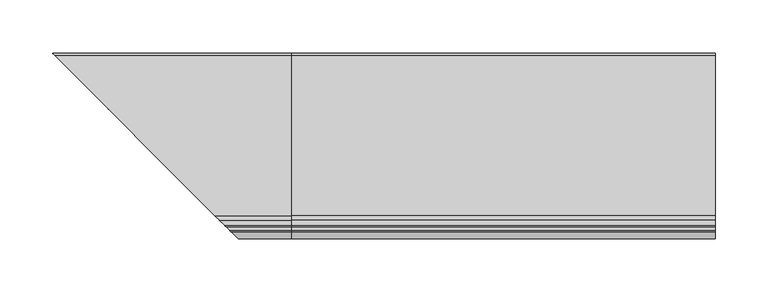
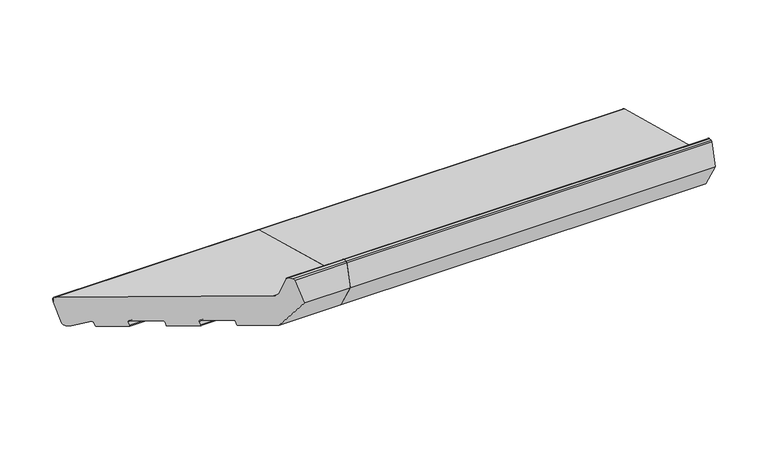
"""IFC4 building model written with IfcOpenShell, lengths in millimetres: proxy geometry."""

from ifc_helpers import new_model, si_unit, point, frame, frame_2d, origin, place, context, project, spatial, polyline, circle_curve, ellipse_curve, trimmed, segment, composite_curve, outline, extrude, source, transform, mapped, element, save
from ifc_brep_helpers import plane_surface, cylinder_surface, revolved_surface, advanced_brep


def generic_models_bad5ee0b(model_context):
    return source(origin(), model_context, "Body", "SolidModel", [
        advanced_brep(
        [(-224.6670576, 34.6670576, 35.293328), (-224.6670576, 35.160744, 32.7223387), (-224.6670576, 34.6670576, 30.8798763), (0.0, 24.7572142, 5.4869469), (0.0, 28.4314488, 7.6082672), (0.0, 35.160744, 32.7223387), (0.0, 33.0394236, 36.3965733), (0.0, -118.1626434, 76.9110451), (0.0, -122.4052841, 81.1536858), (0.0, -127.1879801, 99.0029505), (0.0, -128.6368689, 100.114722), (0.0, -131.9802434, 100.114722), (0.0, -133.4291321, 99.0029505), (0.0, -140.0, 74.4801377), (0.0, -122.3223305, 43.8615159), (0.0, -94.3104815, 36.3557636), (0.0, -93.0857366, 37.0628704), (0.0, -92.0504605, 40.9265737), (0.0, -90.8257156, 41.6336805), (0.0, -67.6434958, 35.4220234), (0.0, -66.936389, 34.1972785), (0.0, -67.9716652, 30.3335752), (0.0, -67.2645584, 29.1088303), (0.0, -45.0482644, 23.1559923), (0.0, -43.8235195, 23.8630991), (0.0, -42.7882433, 27.7268024), (0.0, -41.5634984, 28.4339092), (0.0, -18.3812786, 22.2222521), (0.0, -17.6741718, 20.9975072), (0.0, -18.709448, 17.1338039), (0.0, -18.0023412, 15.909059), (0.0, 4.2139528, 9.956221), (0.0, 5.4386976, 10.6633278), (0.0, 6.3879511, 14.2059898), (0.0, 7.8722069, 14.8023515), (0.0, 22.0404366, 6.2149052), (-214.7572142, 24.7572142, 5.4869469), (-218.4314488, 28.4314488, 7.6082672), (-223.0394236, 33.0394236, 36.3965733), (-71.8373566, -118.1626434, 76.9110451), (-67.5947159, -122.4052841, 81.1536858), (-62.8120199, -127.1879801, 99.0029505), (-61.3631311, -128.6368689, 100.114722), (-58.0197566, -131.9802434, 100.114722), (-56.5708679, -133.4291321, 99.0029505), (-50.0, -140.0, 74.4801377), (-67.6776695, -122.3223305, 43.8615159), (-95.6895185, -94.3104815, 36.3557636), (-96.9142634, -93.0857366, 37.0628704), (-97.9495395, -92.0504605, 40.9265737), (-99.1742844, -90.8257156, 41.6336805), (-122.3565042, -67.6434958, 35.4220234), (-123.063611, -66.936389, 34.1972785), (-122.0283348, -67.9716652, 30.3335752), (-122.7354416, -67.2645584, 29.1088303), (-144.9517356, -45.0482644, 23.1559923), (-146.1764805, -43.8235195, 23.8630991), (-147.2117567, -42.7882433, 27.7268024), (-148.4365016, -41.5634984, 28.4339092), (-212.0404366, 22.0404366, 6.2149052), (-171.6187214, -18.3812786, 22.2222521), (-171.290552, -18.709448, 17.1338039), (-171.9976588, -18.0023412, 15.909059), (-172.3258282, -17.6741718, 20.9975072), (-194.2139528, 4.2139528, 9.956221), (-195.4386976, 5.4386976, 10.6633278), (-196.3879511, 6.3879511, 14.2059898), (-197.8722069, 7.8722069, 14.8023515)],
        [
            (0, 1, circle_curve(frame((-224.6670576, 32.2629665, 33.4987958), z_axis=(-1.0, 0.0, 0.0), x_axis=(0.0, 1.0, 0.0)), 3.0)),
            (1, 2),
            (2, 0),
            (3, 4, circle_curve(frame((0.0, 25.5336713, 8.3847244), z_axis=(1.0, 0.0, 0.0), x_axis=(0.0, 1.0, 0.0)), 3.0)),
            (4, 5),
            (5, 6, circle_curve(frame((0.0, 32.2629665, 33.4987958), z_axis=(1.0, 0.0, 0.0), x_axis=(0.0, 1.0, 0.0)), 3.0)),
            (6, 7),
            (7, 8, circle_curve(frame((0.0, -116.6097291, 82.7066), z_axis=(-1.0, 0.0, 0.0), x_axis=(0.0, 1.0, 0.0)), 6.0)),
            (8, 9),
            (9, 10, circle_curve(frame((0.0, -128.6368689, 98.614722), z_axis=(1.0, 0.0, 0.0), x_axis=(0.0, 1.0, 0.0)), 1.5)),
            (10, 11),
            (11, 12, circle_curve(frame((0.0, -131.9802434, 98.614722), z_axis=(1.0, 0.0, 0.0), x_axis=(0.0, 1.0, 0.0)), 1.5)),
            (12, 13),
            (13, 14),
            (14, 15),
            (15, 16, circle_curve(frame((0.0, -94.0516625, 37.3216894), z_axis=(1.0, 0.0, 0.0), x_axis=(0.0, 1.0, 0.0)), 1.0)),
            (16, 17),
            (17, 18, circle_curve(frame((0.0, -91.0845346, 40.6677546), z_axis=(-1.0, 0.0, 0.0), x_axis=(0.0, 1.0, 0.0)), 1.0)),
            (18, 19),
            (19, 20, circle_curve(frame((0.0, -67.9023148, 34.4560976), z_axis=(-1.0, 0.0, 0.0), x_axis=(0.0, 1.0, 0.0)), 1.0)),
            (20, 21),
            (21, 22, circle_curve(frame((0.0, -67.0057393, 30.0747562), z_axis=(1.0, 0.0, 0.0), x_axis=(0.0, 1.0, 0.0)), 1.0)),
            (22, 23),
            (23, 24, circle_curve(frame((0.0, -44.7894453, 24.1219181), z_axis=(1.0, 0.0, 0.0), x_axis=(0.0, 1.0, 0.0)), 1.0)),
            (24, 25),
            (25, 26, circle_curve(frame((0.0, -41.8223175, 27.4679833), z_axis=(-1.0, 0.0, 0.0), x_axis=(0.0, 1.0, 0.0)), 1.0)),
            (26, 27),
            (27, 28, circle_curve(frame((0.0, -18.6400977, 21.2563263), z_axis=(-1.0, 0.0, 0.0), x_axis=(0.0, 1.0, 0.0)), 1.0)),
            (28, 29),
            (29, 30, circle_curve(frame((0.0, -17.7435222, 16.8749849), z_axis=(1.0, 0.0, 0.0), x_axis=(0.0, 1.0, 0.0)), 1.0)),
            (30, 31),
            (31, 32, circle_curve(frame((0.0, 4.4727718, 10.9221468), z_axis=(1.0, 0.0, 0.0), x_axis=(0.0, 1.0, 0.0)), 1.0)),
            (32, 33),
            (33, 34, circle_curve(frame((0.0, 7.3538769, 13.9471708), z_axis=(-1.0, 0.0, 0.0), x_axis=(0.0, 1.0, 0.0)), 1.0)),
            (34, 35),
            (35, 3),
            (3, 36),
            (36, 37, ellipse_curve(frame((-215.5336713, 25.5336713, 8.3847244), z_axis=(0.707106781186548, 0.7071067811865471, 0.0), x_axis=(-0.707106781186547, 0.707106781186548, 0.0)), 4.2426407, 3.0)),
            (37, 4),
            (37, 2),
            (1, 5),
            (0, 38, ellipse_curve(frame((-222.2629665, 32.2629665, 33.4987958), z_axis=(0.707106781186548, 0.7071067811865471, 0.0), x_axis=(-0.707106781186547, 0.707106781186548, 0.0)), 4.2426407, 3.0)),
            (38, 6),
            (38, 39),
            (39, 7),
            (39, 40, ellipse_curve(frame((-73.3902709, -116.6097291, 82.7066), z_axis=(-0.707106781186548, -0.7071067811865471, 0.0), x_axis=(0.707106781186547, -0.707106781186548, 0.0)), 8.4852814, 6.0)),
            (40, 8),
            (40, 41),
            (41, 9),
            (41, 42, ellipse_curve(frame((-61.3631311, -128.6368689, 98.614722), z_axis=(0.707106781186548, 0.7071067811865471, 0.0), x_axis=(-0.707106781186547, 0.707106781186548, 0.0)), 2.1213203, 1.5)),
            (42, 10),
            (42, 43),
            (43, 11),
            (43, 44, ellipse_curve(frame((-58.0197566, -131.9802434, 98.614722), z_axis=(0.707106781186548, 0.7071067811865471, 0.0), x_axis=(-0.707106781186547, 0.707106781186548, 0.0)), 2.1213203, 1.5)),
            (44, 12),
            (44, 45),
            (45, 13),
            (45, 46),
            (46, 14),
            (46, 47),
            (47, 15),
            (47, 48, ellipse_curve(frame((-95.9483375, -94.0516625, 37.3216894), z_axis=(0.707106781186548, 0.7071067811865471, 0.0), x_axis=(-0.707106781186547, 0.707106781186548, 0.0)), 1.4142136, 1.0)),
            (48, 16),
            (48, 49),
            (49, 17),
            (49, 50, ellipse_curve(frame((-98.9154654, -91.0845346, 40.6677546), z_axis=(-0.707106781186548, -0.7071067811865471, 0.0), x_axis=(0.707106781186547, -0.707106781186548, 0.0)), 1.4142136, 1.0)),
            (50, 18),
            (50, 51),
            (51, 19),
            (51, 52, ellipse_curve(frame((-122.0976852, -67.9023148, 34.4560976), z_axis=(-0.707106781186548, -0.7071067811865471, 0.0), x_axis=(0.707106781186547, -0.707106781186548, 0.0)), 1.4142136, 1.0)),
            (52, 20),
            (52, 53),
            (53, 21),
            (53, 54, ellipse_curve(frame((-122.9942607, -67.0057393, 30.0747562), z_axis=(0.707106781186548, 0.7071067811865471, 0.0), x_axis=(-0.707106781186547, 0.707106781186548, 0.0)), 1.4142136, 1.0)),
            (54, 22),
            (54, 55),
            (55, 23),
            (55, 56, ellipse_curve(frame((-145.2105547, -44.7894453, 24.1219181), z_axis=(0.707106781186548, 0.7071067811865471, 0.0), x_axis=(-0.707106781186547, 0.707106781186548, 0.0)), 1.4142136, 1.0)),
            (56, 24),
            (56, 57),
            (57, 25),
            (57, 58, ellipse_curve(frame((-148.1776825, -41.8223175, 27.4679833), z_axis=(-0.707106781186548, -0.7071067811865471, 0.0), x_axis=(0.707106781186547, -0.707106781186548, 0.0)), 1.4142136, 1.0)),
            (58, 26),
            (35, 59),
            (59, 36),
            (58, 60),
            (60, 27),
            (29, 61),
            (61, 62, ellipse_curve(frame((-172.2564778, -17.7435222, 16.8749849), z_axis=(0.707106781186548, 0.7071067811865471, 0.0), x_axis=(-0.707106781186547, 0.707106781186548, 0.0)), 1.4142136, 1.0)),
            (62, 30),
            (28, 63),
            (63, 61),
            (60, 63, ellipse_curve(frame((-171.3599023, -18.6400977, 21.2563263), z_axis=(-0.707106781186548, -0.7071067811865471, 0.0), x_axis=(0.707106781186547, -0.707106781186548, 0.0)), 1.4142136, 1.0)),
            (62, 64),
            (64, 31),
            (64, 65, ellipse_curve(frame((-194.4727718, 4.4727718, 10.9221468), z_axis=(0.707106781186548, 0.7071067811865471, 0.0), x_axis=(-0.707106781186547, 0.707106781186548, 0.0)), 1.4142136, 1.0)),
            (65, 32),
            (65, 66),
            (66, 33),
            (66, 67, ellipse_curve(frame((-197.3538769, 7.3538769, 13.9471708), z_axis=(-0.707106781186548, -0.7071067811865471, 0.0), x_axis=(0.707106781186547, -0.707106781186548, 0.0)), 1.4142136, 1.0)),
            (67, 34),
            (67, 59),
        ],
        [
            plane_surface(frame((-224.6670576, 0.0, 0.0), z_axis=(-1.0, 0.0, 0.0), x_axis=(0.0, 0.0, 1.0))),
            plane_surface(frame((0.0, 0.0, 0.0), z_axis=(1.0, 0.0, 0.0), x_axis=(0.0, 0.0, 1.0))),
            cylinder_surface(frame((-224.6670576, 25.5336713, 8.3847244), z_axis=(-1.0, 0.0, 0.0), x_axis=(0.0, 1.0, 0.0)), 3.0),
            plane_surface(frame((-224.6670576, 35.160744, 32.7223387), z_axis=(0.0, 0.9659258262890688, -0.25881904510251913), x_axis=(1.0, 0.0, 0.0))),
            cylinder_surface(frame((-224.6670576, 32.2629665, 33.4987958), z_axis=(-1.0, 0.0, 0.0), x_axis=(0.0, 1.0, 0.0)), 3.0),
            plane_surface(frame((-224.6670576, -118.1626434, 76.9110451), z_axis=(0.0, 0.2588190451025206, 0.9659258262890684), x_axis=(1.0, 0.0, 0.0))),
            revolved_surface(polyline([(0.0, -110.6097291, 82.7066), (-79.39027091821606, -110.6097291, 82.7066)]), (-224.6670576, -116.6097291, 82.7066), (1.0, 0.0, 0.0)),
            plane_surface(frame((-224.6670576, -127.1879801, 99.0029505), z_axis=(0.0, 0.9659258262890682, 0.2588190451025212), x_axis=(1.0, 0.0, 0.0))),
            cylinder_surface(frame((-224.6670576, -128.6368689, 98.614722), z_axis=(-1.0, 0.0, 0.0), x_axis=(0.0, 1.0, 0.0)), 1.5),
            plane_surface(frame((-224.6670576, -131.9802434, 100.114722), z_axis=(0.0, 0.0, 1.0), x_axis=(1.0, 0.0, 0.0))),
            cylinder_surface(frame((-224.6670576, -131.9802434, 98.614722), z_axis=(-1.0, 0.0, 0.0), x_axis=(0.0, 1.0, 0.0)), 1.5),
            plane_surface(frame((-224.6670576, -140.0, 74.4801377), z_axis=(0.0, -0.9659258262890683, 0.25881904510252074), x_axis=(1.0, 0.0, 0.0))),
            plane_surface(frame((-224.6670576, -122.3223305, 43.8615159), z_axis=(0.0, -0.8660254037844369, -0.500000000000003), x_axis=(1.0, 0.0, 0.0))),
            plane_surface(frame((-224.6670576, -94.3104815, 36.3557636), z_axis=(0.0, -0.2588190451025208, -0.9659258262890683), x_axis=(1.0, 0.0, 0.0))),
            cylinder_surface(frame((-224.6670576, -94.0516625, 37.3216894), z_axis=(-1.0, 0.0, 0.0), x_axis=(0.0, 1.0, 0.0)), 1.0),
            plane_surface(frame((-224.6670576, -92.0504605, 40.9265737), z_axis=(0.0, 0.9659258262890618, -0.25881904510254516), x_axis=(1.0, 0.0, 0.0))),
            revolved_surface(polyline([(0.0, -90.0845346, 40.6677546), (-99.91546542660625, -90.0845346, 40.6677546)]), (-224.6670576, -91.0845346, 40.6677546), (1.0, 0.0, 0.0)),
            plane_surface(frame((-224.6670576, -67.6434958, 35.4220234), z_axis=(0.0, -0.2588190451025217, -0.9659258262890681), x_axis=(1.0, 0.0, 0.0))),
            revolved_surface(polyline([(0.0, -66.9023148, 34.4560976), (-123.09768522660625, -66.9023148, 34.4560976)]), (-224.6670576, -67.9023148, 34.4560976), (1.0, 0.0, 0.0)),
            plane_surface(frame((-224.6670576, -67.9716652, 30.3335752), z_axis=(0.0, -0.9659258262890634, 0.25881904510253917), x_axis=(1.0, 0.0, 0.0))),
            cylinder_surface(frame((-224.6670576, -67.0057393, 30.0747562), z_axis=(-1.0, 0.0, 0.0), x_axis=(0.0, 1.0, 0.0)), 1.0),
            plane_surface(frame((-224.6670576, -45.0482644, 23.1559923), z_axis=(0.0, -0.2588190451025211, -0.9659258262890682), x_axis=(1.0, 0.0, 0.0))),
            cylinder_surface(frame((-224.6670576, -44.7894453, 24.1219181), z_axis=(-1.0, 0.0, 0.0), x_axis=(0.0, 1.0, 0.0)), 1.0),
            plane_surface(frame((-224.6670576, -42.7882433, 27.7268024), z_axis=(0.0, 0.9659258262890634, -0.2588190451025389), x_axis=(1.0, 0.0, 0.0))),
            revolved_surface(polyline([(0.0, -40.8223175, 27.4679833), (-149.17768252660625, -40.8223175, 27.4679833)]), (-224.6670576, -41.8223175, 27.4679833), (1.0, 0.0, 0.0)),
            plane_surface(frame((-224.6670576, 24.7572142, 5.4869469), z_axis=(0.0, -0.2588190451025144, -0.96592582628907), x_axis=(1.0, 0.0, 0.0))),
            plane_surface(frame((-224.6670576, -18.3812786, 22.2222521), z_axis=(0.0, -0.25881904510252046, -0.9659258262890684), x_axis=(1.0, 0.0, 0.0))),
            cylinder_surface(frame((-224.6670576, -17.7435222, 16.8749849), z_axis=(-1.0, 0.0, 0.0), x_axis=(0.0, 1.0, 0.0)), 1.0),
            plane_surface(frame((-224.6670576, -18.709448, 17.1338039), z_axis=(0.0, -0.9659258262890631, 0.25881904510254045), x_axis=(1.0, 0.0, 0.0))),
            revolved_surface(polyline([(0.0, -17.6400977, 21.2563263), (-172.35990232660623, -17.6400977, 21.2563263)]), (-224.6670576, -18.6400977, 21.2563263), (1.0, 0.0, 0.0)),
            plane_surface(frame((-224.6670576, 4.2139528, 9.956221), z_axis=(0.0, -0.2588190451025199, -0.9659258262890685), x_axis=(1.0, 0.0, 0.0))),
            cylinder_surface(frame((-224.6670576, 4.4727718, 10.9221468), z_axis=(-1.0, 0.0, 0.0), x_axis=(0.0, 1.0, 0.0)), 1.0),
            plane_surface(frame((-224.6670576, 6.3879511, 14.2059898), z_axis=(0.0, 0.9659258262890689, -0.2588190451025187), x_axis=(1.0, 0.0, 0.0))),
            revolved_surface(polyline([(0.0, 8.3538769, 13.9471708), (-198.35387692660623, 8.3538769, 13.9471708)]), (-224.6670576, 7.3538769, 13.9471708), (1.0, 0.0, 0.0)),
            plane_surface(frame((-224.6670576, 22.0404366, 6.2149052), z_axis=(0.0, -0.5183299834329735, -0.8551806991942542), x_axis=(1.0, 0.0, 0.0))),
            plane_surface(frame((-170.8510281, -19.1489719, 0.0), z_axis=(-0.707106781186548, -0.7071067811865471, 0.0), x_axis=(0.0, 0.0, 1.0))),
        ],
        [
            (0, [[1, 2, 3]]),
            (1, [[4, 5, 6, 7, 8, 9, 10, 11, 12, 13, 14, 15, 16, 17, 18, 19, 20, 21, 22, 23, 24, 25, 26, 27, 28, 29, 30, 31, 32, 33, 34, 35, 36]]),
            (2, [[-4, 37, 38, 39]]),
            (3, [[-5, -39, 40, -2, 41]]),
            (4, [[-6, -41, -1, 42, 43]]),
            (5, [[-7, -43, 44, 45]]),
            (6, [[-8, -45, 46, 47]]),
            (7, [[-9, -47, 48, 49]]),
            (8, [[-10, -49, 50, 51]]),
            (9, [[-11, -51, 52, 53]]),
            (10, [[-12, -53, 54, 55]]),
            (11, [[-13, -55, 56, 57]]),
            (12, [[-14, -57, 58, 59]]),
            (13, [[-15, -59, 60, 61]]),
            (14, [[-16, -61, 62, 63]]),
            (15, [[-17, -63, 64, 65]]),
            (16, [[-18, -65, 66, 67]]),
            (17, [[-19, -67, 68, 69]]),
            (18, [[-20, -69, 70, 71]]),
            (19, [[-21, -71, 72, 73]]),
            (20, [[-22, -73, 74, 75]]),
            (21, [[-23, -75, 76, 77]]),
            (22, [[-24, -77, 78, 79]]),
            (23, [[-25, -79, 80, 81]]),
            (24, [[-26, -81, 82, 83]]),
            (25, [[-36, 84, 85, -37]]),
            (26, [[-27, -83, 86, 87]]),
            (27, [[-30, 88, 89, 90]]),
            (28, [[-29, 91, 92, -88]]),
            (29, [[-28, -87, 93, -91]]),
            (30, [[-31, -90, 94, 95]]),
            (31, [[-32, -95, 96, 97]]),
            (32, [[-33, -97, 98, 99]]),
            (33, [[-34, -99, 100, 101]]),
            (34, [[-35, -101, 102, -84]]),
            (35, [[-3, -40, -38, -85, -102, -100, -98, -96, -94, -89, -92, -93, -86, -82, -80, -78, -76, -74, -72, -70, -68, -66, -64, -62, -60, -58, -56, -54, -52, -50, -48, -46, -44, -42]]),
        ],
    ),
        extrude(outline(composite_curve([segment(polyline([(24.7572142, 5.4869469), (22.0404366, 6.2149052), (7.8722069, 14.8023515)]), True, "CONTINUOUS"), segment(trimmed(circle_curve(frame_2d((7.3538769, 13.9471708)), 1.0), [point((7.8722069, 14.8023515))], [point((6.3879511, 14.2059898))], True, "CARTESIAN"), True, "CONTINUOUS"), segment(polyline([(6.3879511, 14.2059898), (5.4386976, 10.6633278)]), True, "CONTINUOUS"), segment(trimmed(circle_curve(frame_2d((4.4727718, 10.9221468)), 1.0), [point((5.4386976, 10.6633278))], [point((4.2139528, 9.956221))], False, "CARTESIAN"), True, "CONTINUOUS"), segment(polyline([(4.2139528, 9.956221), (-18.0023412, 15.909059)]), True, "CONTINUOUS"), segment(trimmed(circle_curve(frame_2d((-17.7435222, 16.8749849)), 1.0), [point((-18.0023412, 15.909059))], [point((-18.709448, 17.1338039))], False, "CARTESIAN"), True, "CONTINUOUS"), segment(polyline([(-18.709448, 17.1338039), (-17.6741718, 20.9975072)]), True, "CONTINUOUS"), segment(trimmed(circle_curve(frame_2d((-18.6400977, 21.2563263)), 1.0), [point((-17.6741718, 20.9975072))], [point((-18.3812786, 22.2222521))], True, "CARTESIAN"), True, "CONTINUOUS"), segment(polyline([(-18.3812786, 22.2222521), (-41.5634984, 28.4339092)]), True, "CONTINUOUS"), segment(trimmed(circle_curve(frame_2d((-41.8223175, 27.4679833)), 1.0), [point((-41.5634984, 28.4339092))], [point((-42.7882433, 27.7268024))], True, "CARTESIAN"), True, "CONTINUOUS"), segment(polyline([(-42.7882433, 27.7268024), (-43.8235195, 23.8630991)]), True, "CONTINUOUS"), segment(trimmed(circle_curve(frame_2d((-44.7894453, 24.1219181)), 1.0), [point((-43.8235195, 23.8630991))], [point((-45.0482644, 23.1559923))], False, "CARTESIAN"), True, "CONTINUOUS"), segment(polyline([(-45.0482644, 23.1559923), (-67.2645584, 29.1088303)]), True, "CONTINUOUS"), segment(trimmed(circle_curve(frame_2d((-67.0057393, 30.0747562)), 1.0), [point((-67.2645584, 29.1088303))], [point((-67.9716652, 30.3335752))], False, "CARTESIAN"), True, "CONTINUOUS"), segment(polyline([(-67.9716652, 30.3335752), (-66.936389, 34.1972785)]), True, "CONTINUOUS"), segment(trimmed(circle_curve(frame_2d((-67.9023148, 34.4560976)), 1.0), [point((-66.936389, 34.1972785))], [point((-67.6434958, 35.4220234))], True, "CARTESIAN"), True, "CONTINUOUS"), segment(polyline([(-67.6434958, 35.4220234), (-90.8257156, 41.6336805)]), True, "CONTINUOUS"), segment(trimmed(circle_curve(frame_2d((-91.0845346, 40.6677546)), 1.0), [point((-90.8257156, 41.6336805))], [point((-92.0504605, 40.9265737))], True, "CARTESIAN"), True, "CONTINUOUS"), segment(polyline([(-92.0504605, 40.9265737), (-93.0857366, 37.0628704)]), True, "CONTINUOUS"), segment(trimmed(circle_curve(frame_2d((-94.0516625, 37.3216894)), 1.0), [point((-93.0857366, 37.0628704))], [point((-94.3104815, 36.3557636))], False, "CARTESIAN"), True, "CONTINUOUS"), segment(polyline([(-94.3104815, 36.3557636), (-122.3223305, 43.8615159), (-140.0, 74.4801377), (-133.4291321, 99.0029505)]), True, "CONTINUOUS"), segment(trimmed(circle_curve(frame_2d((-131.9802434, 98.614722)), 1.5), [point((-133.4291321, 99.0029505))], [point((-131.9802434, 100.114722))], False, "CARTESIAN"), True, "CONTINUOUS"), segment(polyline([(-131.9802434, 100.114722), (-128.6368689, 100.114722)]), True, "CONTINUOUS"), segment(trimmed(circle_curve(frame_2d((-128.6368689, 98.614722)), 1.5), [point((-128.6368689, 100.114722))], [point((-127.1879801, 99.0029505))], False, "CARTESIAN"), True, "CONTINUOUS"), segment(polyline([(-127.1879801, 99.0029505), (-122.4052841, 81.1536858)]), True, "CONTINUOUS"), segment(trimmed(circle_curve(frame_2d((-116.6097291, 82.7066)), 6.0), [point((-122.4052841, 81.1536858))], [point((-118.1626434, 76.9110451))], True, "CARTESIAN"), True, "CONTINUOUS"), segment(polyline([(-118.1626434, 76.9110451), (33.0394236, 36.3965733)]), True, "CONTINUOUS"), segment(trimmed(circle_curve(frame_2d((32.2629665, 33.4987958)), 3.0), [point((33.0394236, 36.3965733))], [point((35.160744, 32.7223387))], False, "CARTESIAN"), True, "CONTINUOUS"), segment(polyline([(35.160744, 32.7223387), (28.4314488, 7.6082672)]), True, "CONTINUOUS"), segment(trimmed(circle_curve(frame_2d((25.5336713, 8.3847244)), 3.0), [point((28.4314488, 7.6082672))], [point((24.7572142, 5.4869469))], False, "CARTESIAN"), True, "CONTINUOUS")], self_intersect=False)), frame((0.0, 0.0, 0.0), z_axis=(1.0, 0.0, 0.0), x_axis=(0.0, 1.0, 0.0)), (0.0, 0.0, 1.0), 400.0),
    ])


if __name__ == "__main__":
    model = new_model("IFC4")
    model_context = context("Model", 3, world=origin())
    ifc_project = project(units=[si_unit("LENGTHUNIT", "METRE", prefix="MILLI")], contexts=[model_context])
    site = spatial("IfcSite", under=ifc_project)
    building = spatial("IfcBuilding", under=site)
    placement = place(None, origin())
    generic_models_shape = generic_models_bad5ee0b(model_context)
    element("IfcBuildingElementProxy", 1, Name="Generic Models", at=placement, inside=building, context=model_context, shape_type="MappedRepresentation", body=[
        mapped(generic_models_shape, transform((0.0, 0.0, 0.0), x_axis=(1.0, 0.0, 0.0), y_axis=(0.0, 1.0, 0.0), z_axis=(0.0, 0.0, 1.0))),
    ])
    save(model, "model.ifc")
